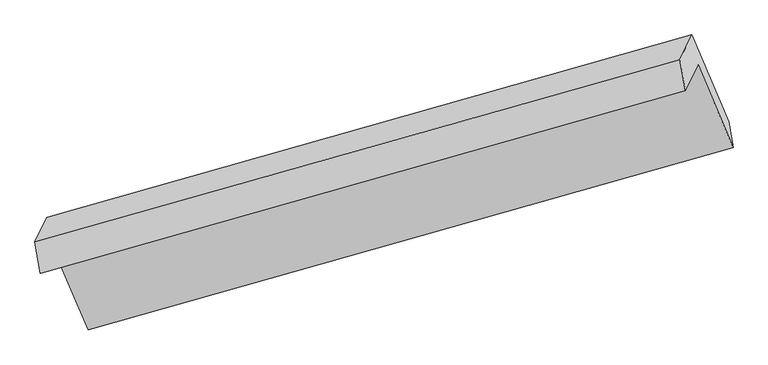
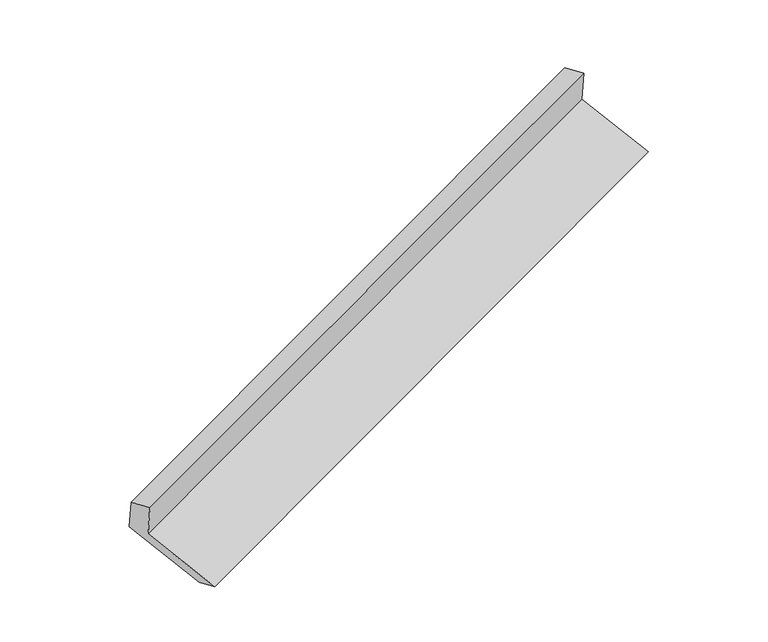
"""IFC4 building model written with IfcOpenShell, lengths in millimetres: proxy geometry."""

from ifc_helpers import new_model, si_unit, origin, place, context, project, spatial, faceted_brep, source, transform, mapped, element, save


def generic_models_4b242094(model_context):
    return source(origin(), model_context, "Body", "Brep", [
        faceted_brep([(-5137.7998603, -2145.5465886, 1479.4157342), (-5053.3205021, -1972.2874945, 1115.6215899), (-733.7015049, -748.3819202, 2690.2878208), (-818.1808632, -921.6410143, 3054.0819651), (-5174.0882071, -1936.8393416, 1416.5018851), (-854.4692099, -712.9337674, 2991.168116), (-5093.7127191, -1771.9968935, 1070.3802709), (-774.093722, -548.0913193, 2645.0465018), (-4847.694337, -2352.5830126, 851.0024957), (-528.0753398, -1128.6774384, 2425.6687266), (-4818.3569471, -2526.7849971, 906.1015473), (-498.7379499, -1302.8794229, 2480.7677781)], [[[0, 1, 2, 3]], [[4, 0, 3, 5]], [[6, 4, 5, 7]], [[8, 6, 7, 9]], [[10, 8, 9, 11]], [[1, 10, 11, 2]], [[9, 7, 5, 3, 2, 11]], [[1, 0, 4, 6, 8, 10]]]),
    ])


if __name__ == "__main__":
    model = new_model("IFC4")
    model_context = context("Model", 3, world=origin())
    ifc_project = project(units=[si_unit("LENGTHUNIT", "METRE", prefix="MILLI")], contexts=[model_context])
    site = spatial("IfcSite", under=ifc_project)
    building = spatial("IfcBuilding", under=site)
    placement = place(None, origin())
    generic_models_shape = generic_models_4b242094(model_context)
    element("IfcBuildingElementProxy", 1, Name="Generic Models", at=placement, inside=building, context=model_context, shape_type="MappedRepresentation", body=[
        mapped(generic_models_shape, transform((0.0, 0.0, 0.0), x_axis=(1.0, 0.0, 0.0), y_axis=(0.0, 1.0, 0.0), z_axis=(0.0, 0.0, 1.0))),
    ])
    save(model, "model.ifc")
